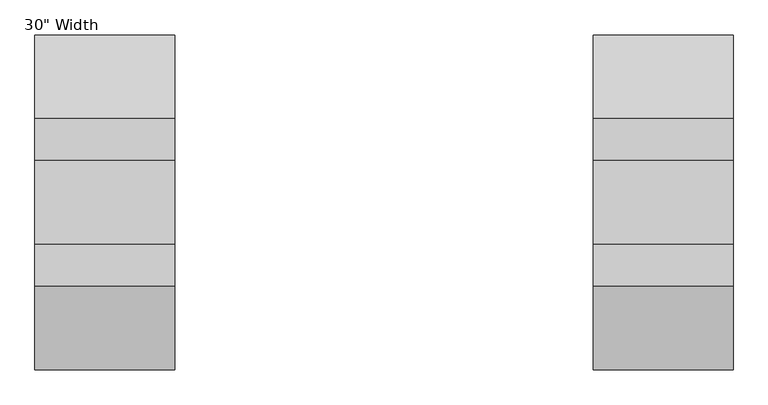
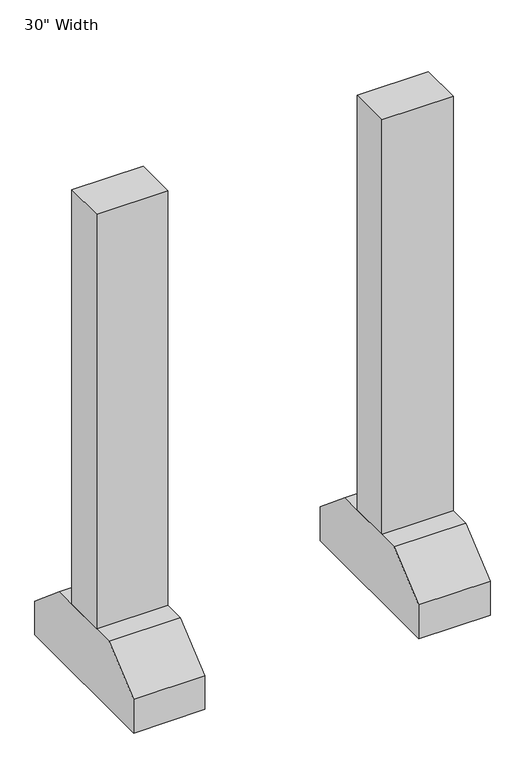
"""IFC4 building model written with IfcOpenShell, lengths in millimetres: proxy geometry."""

from ifc_helpers import new_model, si_unit, frame, origin, place, context, project, spatial, polyline, outline, extrude, source, transform, mapped, element, save


def proxy_9e29d09d(model_context):
    return source(origin(), model_context, "Body", "SweptSolid", [
        extrude(outline(polyline([(-381.0, 76.2), (-381.0, -76.2), (-635.0, -76.2), (-635.0, 76.2), (-381.0, 76.2)])), frame((0.0, 0.0, 254.0), z_axis=(0.0, 0.0, 1.0), x_axis=(1.0, 0.0, 0.0)), (0.0, 0.0, 1.0), 1562.1),
        extrude(outline(polyline([(-153.4472937, 254.0), (153.4472937, 254.0), (304.8, 127.0), (304.8, 0.0), (-304.8, 0.0), (-304.8, 127.0), (-153.4472937, 254.0)])), frame((-635.0, 0.0, 0.0), z_axis=(1.0, 0.0, 0.0), x_axis=(0.0, 1.0, 0.0)), (0.0, 0.0, 1.0), 254.0),
        extrude(outline(polyline([(-153.4472937, 254.0), (153.4472937, 254.0), (304.8, 127.0), (304.8, 0.0), (-304.8, 0.0), (-304.8, 127.0), (-153.4472937, 254.0)])), frame((381.0, 0.0, 0.0), z_axis=(1.0, 0.0, 0.0), x_axis=(0.0, 1.0, 0.0)), (0.0, 0.0, 1.0), 254.0),
        extrude(outline(polyline([(381.0, 76.2), (635.0, 76.2), (635.0, -76.2), (381.0, -76.2), (381.0, 76.2)])), frame((0.0, 0.0, 254.0), z_axis=(0.0, 0.0, 1.0), x_axis=(1.0, 0.0, 0.0)), (0.0, 0.0, 1.0), 1562.1),
    ])


if __name__ == "__main__":
    model = new_model("IFC4")
    model_context = context("Model", 3, world=origin())
    ifc_project = project(units=[si_unit("LENGTHUNIT", "METRE", prefix="MILLI")], contexts=[model_context])
    site = spatial("IfcSite", under=ifc_project)
    building = spatial("IfcBuilding", under=site)
    placement = place(None, origin())
    proxy_shape = proxy_9e29d09d(model_context)
    element("IfcBuildingElementProxy", 1, Name="30\" Width", ObjectType="30\" Width", at=placement, inside=building, context=model_context, shape_type="MappedRepresentation", body=[
        mapped(proxy_shape, transform((0.0, 0.0, 0.0), x_axis=(1.0, 0.0, 0.0), y_axis=(0.0, 1.0, 0.0), z_axis=(0.0, 0.0, 1.0))),
    ])
    save(model, "model.ifc")
